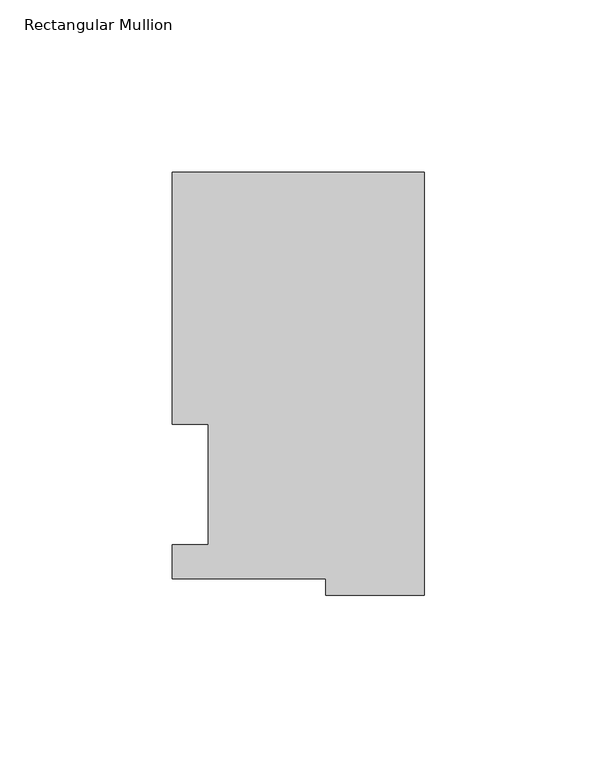
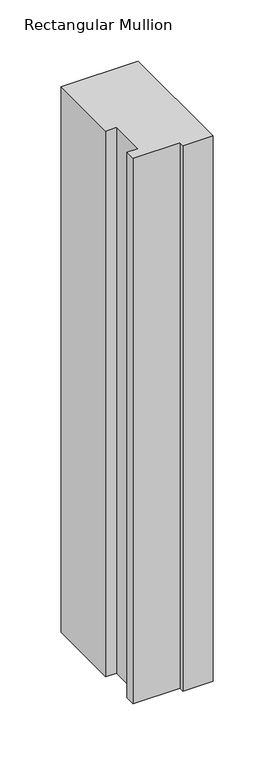
"""IFC4 building model written with IfcOpenShell, lengths in millimetres: member geometry, Rectangular Mullion."""

from ifc_helpers import new_model, si_unit, frame, origin, place, context, project, spatial, polyline, outline, extrude, source, transform, mapped, element, save


def rectangular_mullion_af5b3cf7(model_context):
    return source(origin(), model_context, "Body", "SweptSolid", [
        extrude(outline(polyline([(0.0, 117.8829875), (0.0, -4.7228125), (-28.575, -4.7228125), (-28.575, 0.0269875), (-73.025, 0.0269875), (-73.025, 9.9329875), (-62.6872, 9.9329875), (-62.6872, 44.8579875), (-73.025, 44.8579875), (-73.025, 117.8829875), (0.0, 117.8829875)])), frame((0.0, 0.0, -545.0099167), z_axis=(0.0, 0.0, 1.0), x_axis=(1.0, 0.0, 0.0)), (0.0, 0.0, 1.0), 545.0099167),
    ])


if __name__ == "__main__":
    model = new_model("IFC4")
    model_context = context("Model", 3, world=origin())
    ifc_project = project(units=[si_unit("LENGTHUNIT", "METRE", prefix="MILLI")], contexts=[model_context])
    site = spatial("IfcSite", under=ifc_project)
    building = spatial("IfcBuilding", under=site)
    placement = place(None, origin())
    rectangular_mullion_shape = rectangular_mullion_af5b3cf7(model_context)
    element("IfcMember", 1, ObjectType="Rectangular Mullion", at=placement, inside=building, context=model_context, shape_type="MappedRepresentation", body=[
        mapped(rectangular_mullion_shape, transform((0.0, 0.0, 0.0), x_axis=(1.0, 0.0, 0.0), y_axis=(0.0, 1.0, 0.0), z_axis=(0.0, 0.0, 1.0))),
    ])
    save(model, "model.ifc")
